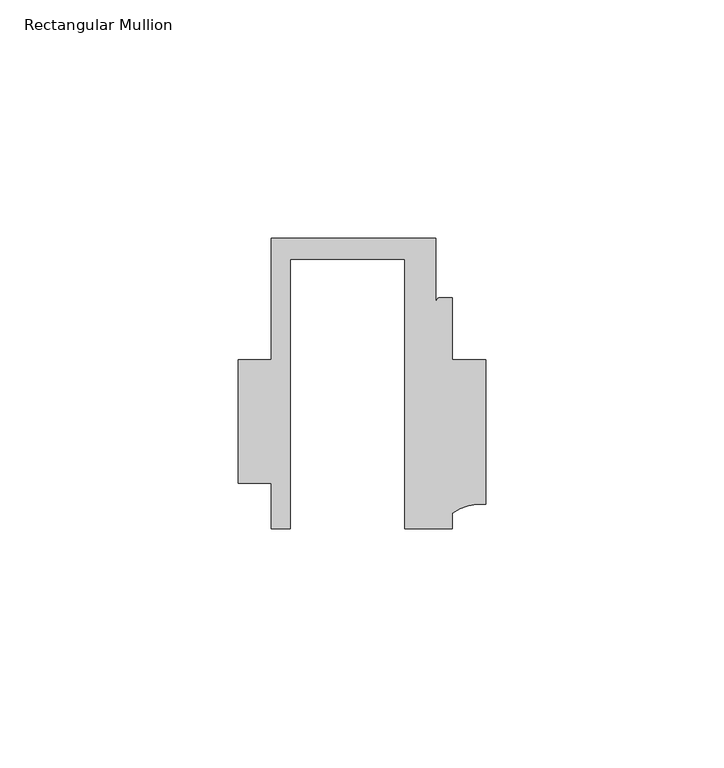
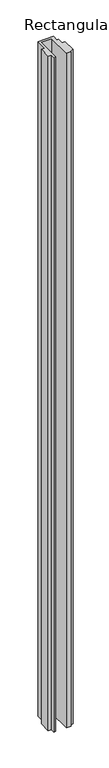
"""IFC4 building model written with IfcOpenShell, lengths in millimetres: member geometry, Rectangular Mullion."""

from ifc_helpers import new_model, si_unit, point, frame, frame_2d, origin, place, context, project, spatial, polyline, circle_curve, trimmed, segment, composite_curve, outline, extrude, source, transform, mapped, element, save


def rectangular_mullion_3d5220a4(model_context):
    return source(origin(), model_context, "Body", "SweptSolid", [
        extrude(outline(composite_curve([segment(polyline([(-24.0309529, -20.5), (-28.0000482, -20.5), (-28.0000482, -10.9795682), (-34.9999873, -10.9795682), (-34.9999873, 15.001276), (-28.0000482, 15.001276), (-28.0000482, 40.499932), (6.5000029, 40.499932), (6.5000029, 27.0002131)]), True, "CONTINUOUS"), segment(trimmed(circle_curve(frame_2d((7.5000029, 27.0002131)), 1.0), [point((6.5000029, 27.0002131))], [point((7.5000029, 28.0002131))], False, "CARTESIAN"), True, "CONTINUOUS"), segment(polyline([(7.5000029, 28.0002131), (10.0000029, 28.0002131), (10.0000029, 15.0004617), (16.999942, 15.0004617), (16.999942, -15.3793686)]), True, "CONTINUOUS"), segment(trimmed(circle_curve(frame_2d((16.1098048, -25.7978024)), 10.4563907), [point((16.999942, -15.3793686))], [point((10.0000029, -17.3121423))], True, "CARTESIAN"), True, "CONTINUOUS"), segment(polyline([(10.0000029, -17.3121423), (10.0000029, -20.5), (0.0, -20.5), (0.0, 36.1008577), (-24.0309529, 36.1008577), (-24.0309529, -20.5)]), True, "CONTINUOUS")], self_intersect=False)), frame((0.0, 0.0, -1568.0001218), z_axis=(0.0, 0.0, 1.0), x_axis=(1.0, 0.0, 0.0)), (0.0, 0.0, 1.0), 1568.0001218),
    ])


if __name__ == "__main__":
    model = new_model("IFC4")
    model_context = context("Model", 3, world=origin())
    ifc_project = project(units=[si_unit("LENGTHUNIT", "METRE", prefix="MILLI")], contexts=[model_context])
    site = spatial("IfcSite", under=ifc_project)
    building = spatial("IfcBuilding", under=site)
    placement = place(None, origin())
    rectangular_mullion_shape = rectangular_mullion_3d5220a4(model_context)
    element("IfcMember", 1, ObjectType="Rectangular Mullion", at=placement, inside=building, context=model_context, shape_type="MappedRepresentation", body=[
        mapped(rectangular_mullion_shape, transform((0.0, 0.0, 0.0), x_axis=(1.0, 0.0, 0.0), y_axis=(0.0, 1.0, 0.0), z_axis=(0.0, 0.0, 1.0))),
    ])
    save(model, "model.ifc")
